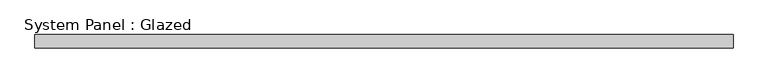
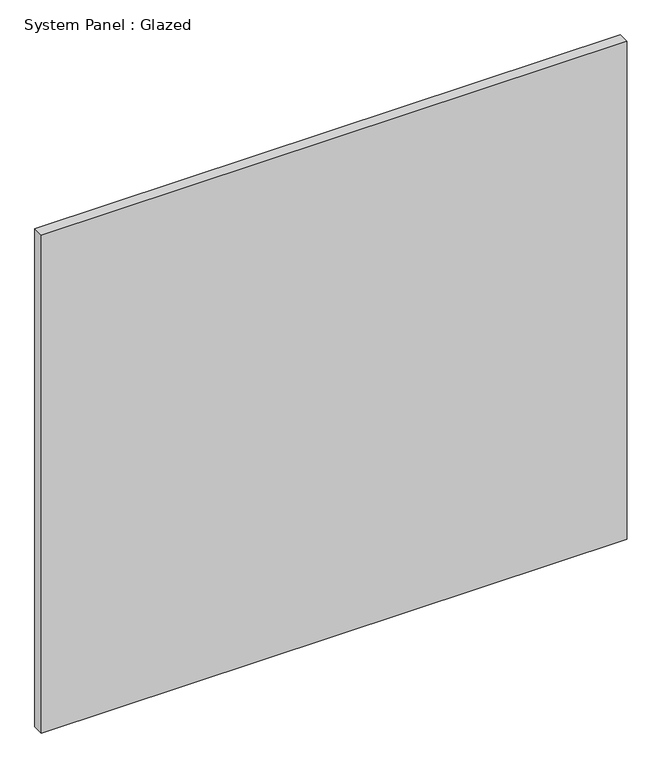
"""IFC4 building model written with IfcOpenShell, lengths in millimetres: plate geometry, System Panel : Glazed."""

import ifcopenshell
import ifcopenshell.guid

model = None  # the IFC model being written
_history = None  # IfcOwnerHistory: only IFC2X3 demands one
_inside = {}  # id of a spatial element -> (the spatial element, [elements in it])
_under = {}  # id of a project, library or spatial element -> (it, [spatial elements below it])
_declared = {}  # id of a project -> (the project, [libraries it declares])
_typed = {}  # id of a type object -> (the type object, [elements of that type])
_made_of = {}  # id of a material, layer set ... -> (it, [elements and type objects made of it])


def new_model(schema):
    """Start an empty IFC model of exactly this schema.

    Asked for "IFC4X3", IfcOpenShell would pick the latest addendum, in which some entities
    have other attributes; the version numbers below select the first issue.
    IFC2X3 requires an IfcOwnerHistory on every rooted entity: one is made here for all.
    """
    global model, _history
    if schema == "IFC4X3":
        model = ifcopenshell.file(schema_version=(4, 3, 0, 0))
    else:
        model = ifcopenshell.file(schema=schema)
    _inside.clear()
    _under.clear()
    _declared.clear()
    _typed.clear()
    _made_of.clear()
    _history = None
    if model.schema == "IFC2X3":
        org = make("IfcOrganization", Name="unknown")
        user = make(
            "IfcPersonAndOrganization",
            ThePerson=make("IfcPerson", FamilyName="unknown"),
            TheOrganization=org,
        )
        app = make(
            "IfcApplication",
            ApplicationDeveloper=org,
            Version="unknown",
            ApplicationFullName="unknown",
            ApplicationIdentifier="unknown",
        )
        _history = make(
            "IfcOwnerHistory",
            OwningUser=user,
            OwningApplication=app,
            ChangeAction="ADDED",
            CreationDate=0,
        )
    return model


def make(cls, **values):
    """One entity of the class cls with the attributes given. An attribute that is None is left unset."""
    return model.create_entity(
        cls, **{name: value for name, value in values.items() if value is not None}
    )


def rooted(cls, **values):
    """An entity with a GlobalId (a new one), such as an element, a storey or a relation."""
    return make(cls, GlobalId=ifcopenshell.guid.new(), OwnerHistory=_history, **values)


def si_unit(unit_type, name, prefix=None):
    """IfcSIUnit, for example si_unit("LENGTHUNIT", "METRE", prefix="MILLI")."""
    return make("IfcSIUnit", UnitType=unit_type, Prefix=prefix, Name=name)


def assignment(units):
    """IfcUnitAssignment: the units of a project."""
    return None if units is None else make("IfcUnitAssignment", Units=units)


def point(xyz):
    """IfcCartesianPoint."""
    return None if xyz is None else make("IfcCartesianPoint", Coordinates=xyz)


def direction(xyz):
    """IfcDirection."""
    return None if xyz is None else make("IfcDirection", DirectionRatios=xyz)


def frame(location, z_axis=None, x_axis=None):
    """IfcAxis2Placement3D, a coordinate frame: its origin and axes. An axis left out is left unset."""
    return make(
        "IfcAxis2Placement3D",
        Location=point(location),
        Axis=direction(z_axis),
        RefDirection=direction(x_axis),
    )


def origin():
    """The frame at (0, 0, 0) with its axes left unset."""
    return frame((0.0, 0.0, 0.0))


def origin_with_axes():
    """The frame at (0, 0, 0) with the z axis (0, 0, 1) and the x axis (1, 0, 0) written out."""
    return frame((0.0, 0.0, 0.0), z_axis=(0.0, 0.0, 1.0), x_axis=(1.0, 0.0, 0.0))


def place(relative_to, where):
    """IfcLocalPlacement: puts the frame where relative to a parent placement (None: the world)."""
    return make(
        "IfcLocalPlacement", PlacementRelTo=relative_to, RelativePlacement=where
    )


def context(
    kind, dimensions, precision=None, world=None, true_north=None, identifier=None
):
    """IfcGeometricRepresentationContext, for example the 3D "Model" context."""
    return make(
        "IfcGeometricRepresentationContext",
        ContextIdentifier=identifier,
        ContextType=kind,
        CoordinateSpaceDimension=dimensions,
        Precision=precision,
        WorldCoordinateSystem=world,
        TrueNorth=true_north,
    )


def project(units=None, contexts=None):
    """IfcProject with its units and contexts."""
    return rooted(
        "IfcProject",
        Name="project",
        RepresentationContexts=contexts,
        UnitsInContext=assignment(units),
    )


def spatial(cls, under=None, at=None, **own):
    """A site, building, storey or space (cls), placed at a placement, below another one or the project."""
    s = rooted(cls, ObjectPlacement=at, **own)
    if under is not None:
        _under.setdefault(under.id(), (under, []))[1].append(s)
    return s


def polyline(points):
    """IfcPolyline through the points."""
    return make("IfcPolyline", Points=[point(p) for p in points])


def outline(outer, holes=None, kind="AREA"):
    """IfcArbitraryClosedProfileDef: a profile drawn as a closed curve; with holes, ...WithVoids."""
    if holes is None:
        return make("IfcArbitraryClosedProfileDef", ProfileType=kind, OuterCurve=outer)
    return make(
        "IfcArbitraryProfileDefWithVoids",
        ProfileType=kind,
        OuterCurve=outer,
        InnerCurves=holes,
    )


def extrude(swept, where, along, depth):
    """IfcExtrudedAreaSolid: the profile swept, set in the frame where, extruded along a direction by depth."""
    return make(
        "IfcExtrudedAreaSolid",
        SweptArea=swept,
        Position=where,
        ExtrudedDirection=direction(along),
        Depth=depth,
    )


def shape(context_of_items, identifier, shape_type, items):
    """IfcShapeRepresentation: the items that make up one representation, for example the "Body"."""
    return make(
        "IfcShapeRepresentation",
        ContextOfItems=context_of_items,
        RepresentationIdentifier=identifier,
        RepresentationType=shape_type,
        Items=items,
    )


def source(mapping_origin, context_of_items, identifier, shape_type, items):
    """IfcRepresentationMap: a shape defined once, which mapped items show again and again."""
    return make(
        "IfcRepresentationMap",
        MappingOrigin=mapping_origin,
        MappedRepresentation=shape(context_of_items, identifier, shape_type, items),
    )


def transform(
    local_origin,
    x_axis=None,
    y_axis=None,
    z_axis=None,
    scale=None,
    scale2=None,
    scale3=None,
    uniform=True,
):
    """IfcCartesianTransformationOperator3D, or its non-uniform kind. x_axis, y_axis, z_axis: its Axis1, 2, 3."""
    if uniform:
        return make(
            "IfcCartesianTransformationOperator3D",
            Axis1=direction(x_axis),
            Axis2=direction(y_axis),
            LocalOrigin=point(local_origin),
            Scale=scale,
            Axis3=direction(z_axis),
        )
    return make(
        "IfcCartesianTransformationOperator3DnonUniform",
        Axis1=direction(x_axis),
        Axis2=direction(y_axis),
        LocalOrigin=point(local_origin),
        Scale=scale,
        Axis3=direction(z_axis),
        Scale2=scale2,
        Scale3=scale3,
    )


def mapped(mapping_source, mapping_target):
    """IfcMappedItem: shows the shape of a source again, moved by a transform."""
    return make(
        "IfcMappedItem", MappingSource=mapping_source, MappingTarget=mapping_target
    )


def made_of(thing, what):
    """Note that an element or type object is made of a material, layer set ...; save() writes the relation."""
    if what is not None:
        _made_of.setdefault(what.id(), (what, []))[1].append(thing)
    return thing


def element(
    cls,
    number,
    at=None,
    inside=None,
    cuts=None,
    type_object=None,
    material=None,
    context=None,
    identifier="Body",
    shape_type=None,
    held_by="IfcProductDefinitionShape",
    body=None,
    shapes=None,
    **own,
):
    """One element of the class cls, such as IfcWall. Its Tag is "e" and its number.

    at: its placement. inside: the storey or other place that contains it. cuts: it is an
    opening in that element (IfcRelVoidsElement). A single representation is given by context,
    identifier, shape_type and body (its items); several are given by shapes. held_by: the class
    of the entity that holds the representations. save() writes the other relations.
    """
    e = rooted(cls, Tag="e%d" % number, ObjectPlacement=at, **own)
    if body is not None:
        shapes = [shape(context, identifier, shape_type, body)]
    if shapes is not None:
        e.Representation = make(held_by, Representations=shapes)
    if inside is not None:
        _inside.setdefault(inside.id(), (inside, []))[1].append(e)
    if cuts is not None:
        rooted(
            "IfcRelVoidsElement", RelatingBuildingElement=cuts, RelatedOpeningElement=e
        )
    if type_object is not None:
        _typed.setdefault(type_object.id(), (type_object, []))[1].append(e)
    return made_of(e, material)


def aggregate(whole, parts):
    """IfcRelAggregates: a whole, such as a stair, and the parts it consists of."""
    return rooted("IfcRelAggregates", RelatingObject=whole, RelatedObjects=parts)


def save(model, path):
    """Write the relations noted so far, then the file.

    IfcRelAggregates (storeys below a building ...), IfcRelContainedInSpatialStructure (elements
    in a storey), IfcRelDefinesByType, IfcRelAssociatesMaterial and IfcRelDeclares: one each for
    every whole, place, type object, material and project.
    """
    for whole, parts in _under.values():
        aggregate(whole, parts)
    for where, things in _inside.values():
        rooted(
            "IfcRelContainedInSpatialStructure",
            RelatedElements=things,
            RelatingStructure=where,
        )
    for kind, things in _typed.values():
        rooted("IfcRelDefinesByType", RelatedObjects=things, RelatingType=kind)
    for what, things in _made_of.values():
        rooted("IfcRelAssociatesMaterial", RelatedObjects=things, RelatingMaterial=what)
    for by, libraries in _declared.values():
        rooted("IfcRelDeclares", RelatingContext=by, RelatedDefinitions=libraries)
    model.write(path)


def system_panel_glazed_043d2b8c(model_context):
    return source(origin(), model_context, "Body", "SweptSolid", [
        extrude(outline(polyline([(668.25, 19.05), (-668.25, 19.05), (-668.25, 44.45), (668.25, 44.45), (668.25, 19.05)])), origin_with_axes(), (0.0, 0.0, 1.0), 1200.0),
    ])


if __name__ == "__main__":
    model = new_model("IFC4")
    model_context = context("Model", 3, world=origin())
    ifc_project = project(units=[si_unit("LENGTHUNIT", "METRE", prefix="MILLI")], contexts=[model_context])
    site = spatial("IfcSite", under=ifc_project)
    building = spatial("IfcBuilding", under=site)
    placement = place(None, origin())
    system_panel_glazed_shape = system_panel_glazed_043d2b8c(model_context)
    element("IfcPlate", 1, ObjectType="System Panel : Glazed", at=placement, inside=building, context=model_context, shape_type="MappedRepresentation", body=[
        mapped(system_panel_glazed_shape, transform((0.0, 0.0, 0.0), x_axis=(1.0, 0.0, 0.0), y_axis=(0.0, 1.0, 0.0), z_axis=(0.0, 0.0, 1.0))),
    ])
    save(model, "model.ifc")
